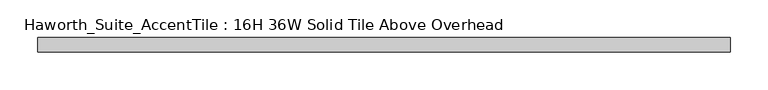
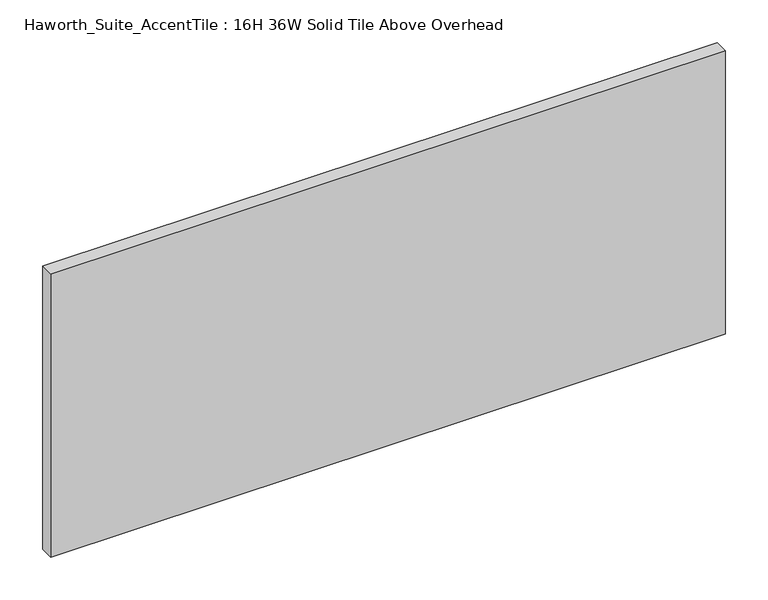
"""IFC4 building model written with IfcOpenShell, lengths in millimetres: furniture geometry, Haworth_Suite_AccentTile : 16H 36W Solid Tile Above Overhead."""

from ifc_helpers import new_model, si_unit, frame, origin, place, context, project, spatial, polyline, outline, extrude, source, transform, mapped, element, save


def haworth_suite_accenttile_16h_36w_solid_tile_above_overhead_7f0e32ac(model_context):
    return source(origin(), model_context, "Body", "SweptSolid", [
        extrude(outline(polyline([(444.5, -12.7), (444.5, -31.75), (-469.9, -31.75), (-469.9, -12.7), (444.5, -12.7)])), frame((0.0, 0.0, 1651.0), z_axis=(0.0, 0.0, 1.0), x_axis=(1.0, 0.0, 0.0)), (0.0, 0.0, 1.0), 406.4),
    ])


if __name__ == "__main__":
    model = new_model("IFC4")
    model_context = context("Model", 3, world=origin())
    ifc_project = project(units=[si_unit("LENGTHUNIT", "METRE", prefix="MILLI")], contexts=[model_context])
    site = spatial("IfcSite", under=ifc_project)
    building = spatial("IfcBuilding", under=site)
    placement = place(None, origin())
    haworth_suite_accenttile_16h_36w_solid_tile_above_overhead_shape = haworth_suite_accenttile_16h_36w_solid_tile_above_overhead_7f0e32ac(model_context)
    element("IfcFurniture", 1, ObjectType="Haworth_Suite_AccentTile : 16H 36W Solid Tile Above Overhead", at=placement, inside=building, context=model_context, shape_type="MappedRepresentation", body=[
        mapped(haworth_suite_accenttile_16h_36w_solid_tile_above_overhead_shape, transform((0.0, 0.0, 0.0), x_axis=(1.0, 0.0, 0.0), y_axis=(0.0, 1.0, 0.0), z_axis=(0.0, 0.0, 1.0))),
    ])
    save(model, "model.ifc")
